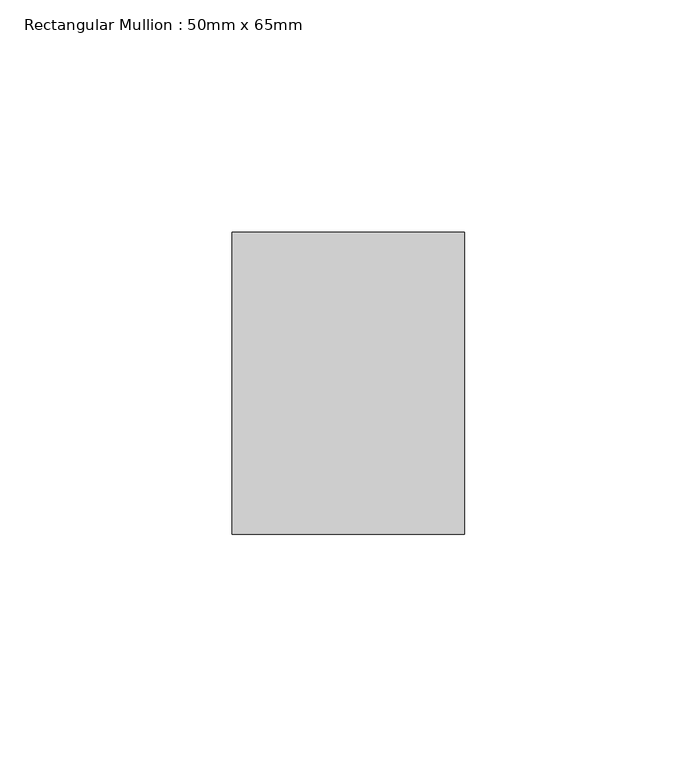
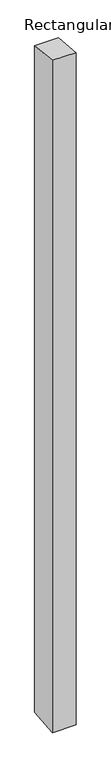
"""IFC4 building model written with IfcOpenShell, lengths in millimetres: member geometry, Rectangular Mullion : 50mm x 65mm."""

from ifc_helpers import new_model, si_unit, origin, place, context, project, spatial, faceted_brep, source, transform, mapped, element, save


def rectangular_mullion_50mm_x_65mm_4218912c(model_context):
    return source(origin(), model_context, "Body", "Brep", [
        faceted_brep([(-25.0, 32.5, -3.3716838), (25.0, 32.5, -3.37168), (25.0, 32.5, -1496.8525517), (-25.0, 32.5, -1496.8525481), (-25.0, -32.5, 3.37168), (-25.0, -32.5, -1503.1464209), (25.0, -32.5, 3.3716838), (25.0, -32.5, -1503.1464245)], [[[0, 1, 2, 3]], [[4, 0, 3, 5]], [[6, 4, 5, 7]], [[1, 6, 7, 2]], [[1, 0, 4, 6]], [[2, 7, 5, 3]]]),
    ])


if __name__ == "__main__":
    model = new_model("IFC4")
    model_context = context("Model", 3, world=origin())
    ifc_project = project(units=[si_unit("LENGTHUNIT", "METRE", prefix="MILLI")], contexts=[model_context])
    site = spatial("IfcSite", under=ifc_project)
    building = spatial("IfcBuilding", under=site)
    placement = place(None, origin())
    rectangular_mullion_50mm_x_65mm_shape = rectangular_mullion_50mm_x_65mm_4218912c(model_context)
    element("IfcMember", 1, ObjectType="Rectangular Mullion : 50mm x 65mm", at=placement, inside=building, context=model_context, shape_type="MappedRepresentation", body=[
        mapped(rectangular_mullion_50mm_x_65mm_shape, transform((0.0, 0.0, 0.0), x_axis=(1.0, 0.0, 0.0), y_axis=(0.0, 1.0, 0.0), z_axis=(0.0, 0.0, 1.0))),
    ])
    save(model, "model.ifc")
